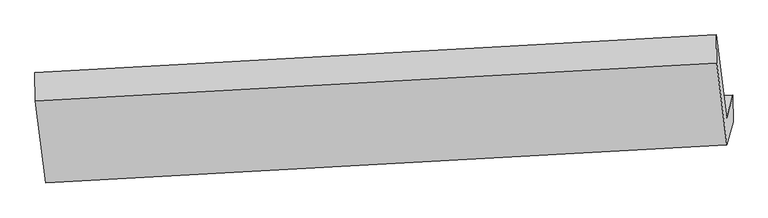
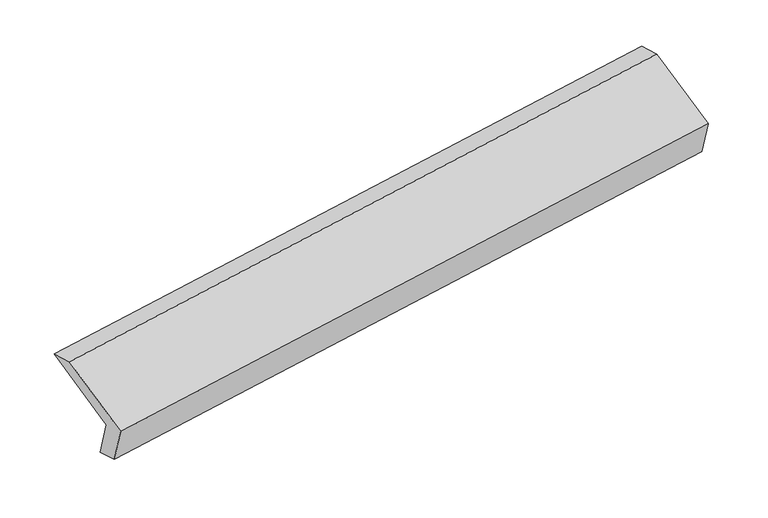
"""IFC4 building model written with IfcOpenShell, lengths in millimetres: proxy geometry."""

from ifc_helpers import new_model, si_unit, frame, origin, place, context, project, spatial, polyline, outline, extrude, source, transform, mapped, element, save


def generic_models_d1227c02(model_context):
    return source(origin(), model_context, "Body", "SweptSolid", [
        extrude(outline(polyline([(-63.7180834, -144.0625772), (331.4016099, -144.0625773), (195.4246478, -298.2578045), (-199.6950454, -298.2578046), (-199.6950455, 360.222768), (-63.7180833, 524.4179955), (-63.7180834, -144.0625772)])), frame((-5343.8029326, -1644.4065455, 1548.9070411), z_axis=(0.9870883658743113, 0.055137953908737956, 0.15038737977084368), x_axis=(0.11387703145124373, 0.41869607684699117, -0.9009581660325805)), (0.0, 0.0, 1.0), 5030.5195664),
    ])


if __name__ == "__main__":
    model = new_model("IFC4")
    model_context = context("Model", 3, world=origin())
    ifc_project = project(units=[si_unit("LENGTHUNIT", "METRE", prefix="MILLI")], contexts=[model_context])
    site = spatial("IfcSite", under=ifc_project)
    building = spatial("IfcBuilding", under=site)
    placement = place(None, origin())
    generic_models_shape = generic_models_d1227c02(model_context)
    element("IfcBuildingElementProxy", 1, Name="Generic Models", at=placement, inside=building, context=model_context, shape_type="MappedRepresentation", body=[
        mapped(generic_models_shape, transform((0.0, 0.0, 0.0), x_axis=(1.0, 0.0, 0.0), y_axis=(0.0, 1.0, 0.0), z_axis=(0.0, 0.0, 1.0))),
    ])
    save(model, "model.ifc")
